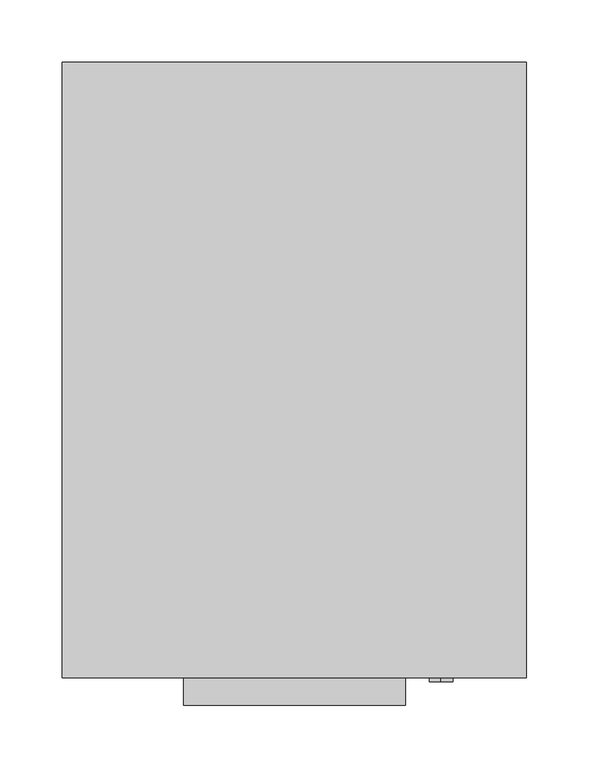
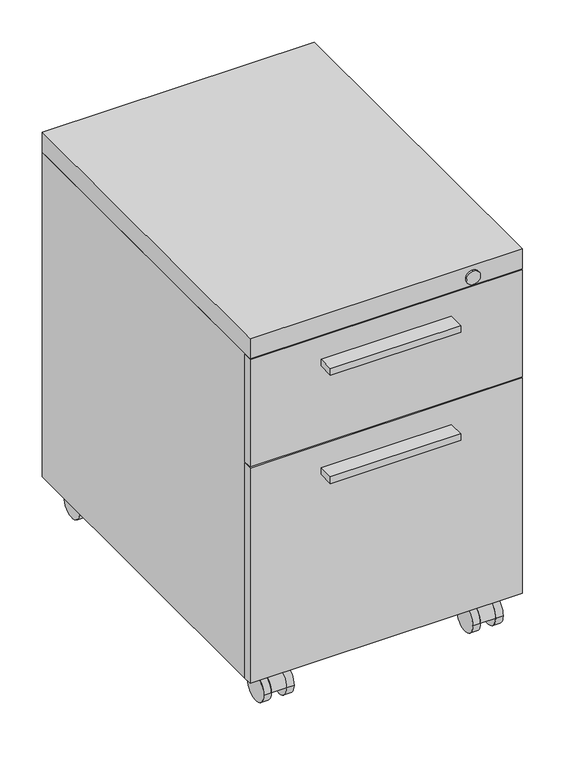
"""IFC4 building model written with IfcOpenShell, lengths in millimetres: furniture geometry."""

from ifc_helpers import new_model, si_unit, point, frame, frame_2d, origin, place, context, project, spatial, polyline, circle_curve, trimmed, segment, composite_curve, outline, extrude, source, transform, mapped, element, save


def furniture_44ce0cff(model_context):
    return source(origin(), model_context, "Body", "SweptSolid", [
        extrude(outline(polyline([(88.9, -268.2875), (-88.9, -268.2875), (-88.9, -246.0625), (88.9, -246.0625), (88.9, -268.2875)])), frame((0.0, 0.0, 315.9125045), z_axis=(0.0, 0.0, 1.0), x_axis=(1.0, 0.0, 0.0)), (0.0, 0.0, 1.0), 9.525),
        extrude(outline(polyline([(88.9, -268.2875), (-88.9, -268.2875), (-88.9, -246.0625), (88.9, -246.0625), (88.9, -268.2875)])), frame((0.0, 0.0, 472.2812379), z_axis=(0.0, 0.0, 1.0), x_axis=(1.0, 0.0, 0.0)), (0.0, 0.0, 1.0), 9.525),
        extrude(outline(composite_curve([segment(trimmed(circle_curve(frame_2d((-220.6625363, 19.05)), 19.05), [point((-239.7125363, 19.05))], [point((-201.6125363, 19.05))], False, "CARTESIAN"), True, "CONTINUOUS"), segment(polyline([(-201.6125363, 19.05), (-239.7125363, 19.05)]), True, "CONTINUOUS")], self_intersect=False)), frame((132.5562508, 0.0, 0.0), z_axis=(1.0, 0.0, 0.0), x_axis=(0.0, 1.0, 0.0)), (0.0, 0.0, 1.0), 20.6375008),
        extrude(outline(composite_curve([segment(trimmed(circle_curve(frame_2d((142.875, -207.9625303)), 10.3187561), [point((132.5562439, -207.9625303))], [point((153.1937561, -207.9625303))], False, "CARTESIAN"), True, "CONTINUOUS"), segment(trimmed(circle_curve(frame_2d((142.875, -207.9625303)), 10.3187561), [point((153.1937561, -207.9625303))], [point((132.5562439, -207.9625303))], False, "CARTESIAN"), True, "CONTINUOUS")], self_intersect=False)), frame((0.0, 0.0, 19.05), z_axis=(0.0, 0.0, 1.0), x_axis=(1.0, 0.0, 0.0)), (0.0, 0.0, 1.0), 28.575),
        extrude(outline(composite_curve([segment(trimmed(circle_curve(frame_2d((-220.6625363, 19.05)), 19.05), [point((-201.6125363, 19.05))], [point((-239.7125363, 19.05))], False, "CARTESIAN"), True, "CONTINUOUS"), segment(trimmed(circle_curve(frame_2d((-220.6625363, 19.05)), 19.05), [point((-239.7125363, 19.05))], [point((-201.6125363, 19.05))], False, "CARTESIAN"), True, "CONTINUOUS")], self_intersect=False)), frame((153.1937515, 0.0, 0.0), z_axis=(1.0, 0.0, 0.0), x_axis=(0.0, 1.0, 0.0)), (0.0, 0.0, 1.0), 10.318747),
        extrude(outline(composite_curve([segment(trimmed(circle_curve(frame_2d((-220.6625363, 19.05)), 19.05), [point((-201.6125363, 19.05))], [point((-239.7125363, 19.05))], False, "CARTESIAN"), True, "CONTINUOUS"), segment(trimmed(circle_curve(frame_2d((-220.6625363, 19.05)), 19.05), [point((-239.7125363, 19.05))], [point((-201.6125363, 19.05))], False, "CARTESIAN"), True, "CONTINUOUS")], self_intersect=False)), frame((122.2375, 0.0, 0.0), z_axis=(1.0, 0.0, 0.0), x_axis=(0.0, 1.0, 0.0)), (0.0, 0.0, 1.0), 10.3187508),
        extrude(outline(composite_curve([segment(trimmed(circle_curve(frame_2d((-220.6625363, 19.05)), 19.05), [point((-239.7125363, 19.05))], [point((-201.6125363, 19.05))], False, "CARTESIAN"), True, "CONTINUOUS"), segment(polyline([(-201.6125363, 19.05), (-239.7125363, 19.05)]), True, "CONTINUOUS")], self_intersect=False)), frame((-153.1937492, 0.0, 0.0), z_axis=(1.0, 0.0, 0.0), x_axis=(0.0, 1.0, 0.0)), (0.0, 0.0, 1.0), 20.6375008),
        extrude(outline(composite_curve([segment(trimmed(circle_curve(frame_2d((-142.875, -207.9625303)), 10.3187561), [point((-153.1937561, -207.9625303))], [point((-132.5562439, -207.9625303))], False, "CARTESIAN"), True, "CONTINUOUS"), segment(trimmed(circle_curve(frame_2d((-142.875, -207.9625303)), 10.3187561), [point((-132.5562439, -207.9625303))], [point((-153.1937561, -207.9625303))], False, "CARTESIAN"), True, "CONTINUOUS")], self_intersect=False)), frame((0.0, 0.0, 19.05), z_axis=(0.0, 0.0, 1.0), x_axis=(1.0, 0.0, 0.0)), (0.0, 0.0, 1.0), 28.575),
        extrude(outline(composite_curve([segment(trimmed(circle_curve(frame_2d((-220.6625363, 19.05)), 19.05), [point((-201.6125363, 19.05))], [point((-239.7125363, 19.05))], False, "CARTESIAN"), True, "CONTINUOUS"), segment(trimmed(circle_curve(frame_2d((-220.6625363, 19.05)), 19.05), [point((-239.7125363, 19.05))], [point((-201.6125363, 19.05))], False, "CARTESIAN"), True, "CONTINUOUS")], self_intersect=False)), frame((-132.5562485, 0.0, 0.0), z_axis=(1.0, 0.0, 0.0), x_axis=(0.0, 1.0, 0.0)), (0.0, 0.0, 1.0), 10.318747),
        extrude(outline(composite_curve([segment(trimmed(circle_curve(frame_2d((-220.6625363, 19.05)), 19.05), [point((-201.6125363, 19.05))], [point((-239.7125363, 19.05))], False, "CARTESIAN"), True, "CONTINUOUS"), segment(trimmed(circle_curve(frame_2d((-220.6625363, 19.05)), 19.05), [point((-239.7125363, 19.05))], [point((-201.6125363, 19.05))], False, "CARTESIAN"), True, "CONTINUOUS")], self_intersect=False)), frame((-163.5125, 0.0, 0.0), z_axis=(1.0, 0.0, 0.0), x_axis=(0.0, 1.0, 0.0)), (0.0, 0.0, 1.0), 10.3187508),
        extrude(outline(composite_curve([segment(trimmed(circle_curve(frame_2d((214.3124758, 19.05)), 19.05), [point((195.2624758, 19.05))], [point((233.3624758, 19.05))], False, "CARTESIAN"), True, "CONTINUOUS"), segment(polyline([(233.3624758, 19.05), (195.2624758, 19.05)]), True, "CONTINUOUS")], self_intersect=False)), frame((132.5562508, 0.0, 0.0), z_axis=(1.0, 0.0, 0.0), x_axis=(0.0, 1.0, 0.0)), (0.0, 0.0, 1.0), 20.6375008),
        extrude(outline(composite_curve([segment(trimmed(circle_curve(frame_2d((142.875, 227.0124818)), 10.3187561), [point((132.5562439, 227.0124818))], [point((153.1937561, 227.0124818))], False, "CARTESIAN"), True, "CONTINUOUS"), segment(trimmed(circle_curve(frame_2d((142.875, 227.0124818)), 10.3187561), [point((153.1937561, 227.0124818))], [point((132.5562439, 227.0124818))], False, "CARTESIAN"), True, "CONTINUOUS")], self_intersect=False)), frame((0.0, 0.0, 19.05), z_axis=(0.0, 0.0, 1.0), x_axis=(1.0, 0.0, 0.0)), (0.0, 0.0, 1.0), 28.575),
        extrude(outline(composite_curve([segment(trimmed(circle_curve(frame_2d((214.3124758, 19.05)), 19.05), [point((233.3624758, 19.05))], [point((195.2624758, 19.05))], False, "CARTESIAN"), True, "CONTINUOUS"), segment(trimmed(circle_curve(frame_2d((214.3124758, 19.05)), 19.05), [point((195.2624758, 19.05))], [point((233.3624758, 19.05))], False, "CARTESIAN"), True, "CONTINUOUS")], self_intersect=False)), frame((153.1937515, 0.0, 0.0), z_axis=(1.0, 0.0, 0.0), x_axis=(0.0, 1.0, 0.0)), (0.0, 0.0, 1.0), 10.318747),
        extrude(outline(composite_curve([segment(trimmed(circle_curve(frame_2d((214.3124758, 19.05)), 19.05), [point((233.3624758, 19.05))], [point((195.2624758, 19.05))], False, "CARTESIAN"), True, "CONTINUOUS"), segment(trimmed(circle_curve(frame_2d((214.3124758, 19.05)), 19.05), [point((195.2624758, 19.05))], [point((233.3624758, 19.05))], False, "CARTESIAN"), True, "CONTINUOUS")], self_intersect=False)), frame((122.2375, 0.0, 0.0), z_axis=(1.0, 0.0, 0.0), x_axis=(0.0, 1.0, 0.0)), (0.0, 0.0, 1.0), 10.3187508),
        extrude(outline(composite_curve([segment(trimmed(circle_curve(frame_2d((214.3124758, 19.05)), 19.05), [point((195.2624758, 19.05))], [point((233.3624758, 19.05))], False, "CARTESIAN"), True, "CONTINUOUS"), segment(polyline([(233.3624758, 19.05), (195.2624758, 19.05)]), True, "CONTINUOUS")], self_intersect=False)), frame((-153.1937492, 0.0, 0.0), z_axis=(1.0, 0.0, 0.0), x_axis=(0.0, 1.0, 0.0)), (0.0, 0.0, 1.0), 20.6375008),
        extrude(outline(composite_curve([segment(trimmed(circle_curve(frame_2d((-142.875, 227.0124818)), 10.3187561), [point((-153.1937561, 227.0124818))], [point((-132.5562439, 227.0124818))], False, "CARTESIAN"), True, "CONTINUOUS"), segment(trimmed(circle_curve(frame_2d((-142.875, 227.0124818)), 10.3187561), [point((-132.5562439, 227.0124818))], [point((-153.1937561, 227.0124818))], False, "CARTESIAN"), True, "CONTINUOUS")], self_intersect=False)), frame((0.0, 0.0, 19.05), z_axis=(0.0, 0.0, 1.0), x_axis=(1.0, 0.0, 0.0)), (0.0, 0.0, 1.0), 28.575),
        extrude(outline(composite_curve([segment(trimmed(circle_curve(frame_2d((214.3124758, 19.05)), 19.05), [point((233.3624758, 19.05))], [point((195.2624758, 19.05))], False, "CARTESIAN"), True, "CONTINUOUS"), segment(trimmed(circle_curve(frame_2d((214.3124758, 19.05)), 19.05), [point((195.2624758, 19.05))], [point((233.3624758, 19.05))], False, "CARTESIAN"), True, "CONTINUOUS")], self_intersect=False)), frame((-132.5562485, 0.0, 0.0), z_axis=(1.0, 0.0, 0.0), x_axis=(0.0, 1.0, 0.0)), (0.0, 0.0, 1.0), 10.318747),
        extrude(outline(composite_curve([segment(trimmed(circle_curve(frame_2d((214.3124758, 19.05)), 19.05), [point((233.3624758, 19.05))], [point((195.2624758, 19.05))], False, "CARTESIAN"), True, "CONTINUOUS"), segment(trimmed(circle_curve(frame_2d((214.3124758, 19.05)), 19.05), [point((195.2624758, 19.05))], [point((233.3624758, 19.05))], False, "CARTESIAN"), True, "CONTINUOUS")], self_intersect=False)), frame((-163.5125, 0.0, 0.0), z_axis=(1.0, 0.0, 0.0), x_axis=(0.0, 1.0, 0.0)), (0.0, 0.0, 1.0), 10.3187508),
        extrude(outline(polyline([(185.7375, -233.3624516), (185.7375, -246.0625), (-185.7375, -246.0625), (-185.7375, -233.3624516), (185.7375, -233.3624516)])), frame((0.0, 0.0, 47.625), z_axis=(0.0, 0.0, 1.0), x_axis=(1.0, 0.0, 0.0)), (0.0, 0.0, 1.0), 311.1500121),
        extrude(outline(polyline([(185.7375, -233.3624516), (185.7375, -246.0625), (-185.7375, -246.0625), (-185.7375, -233.3624516), (185.7375, -233.3624516)])), frame((0.0, 0.0, 360.3624992), z_axis=(0.0, 0.0, 1.0), x_axis=(1.0, 0.0, 0.0)), (0.0, 0.0, 1.0), 154.7812386),
        extrude(outline(polyline([(185.7375, 246.0625), (185.7375, -246.0625), (-185.7375, -246.0625), (-185.7375, 246.0625), (185.7375, 246.0625)])), frame((0.0, 0.0, 516.7376), z_axis=(0.0, 0.0, 1.0), x_axis=(1.0, 0.0, 0.0)), (0.0, 0.0, 1.0), 28.575),
        extrude(outline(polyline([(185.7375, 246.0625), (185.7375, -233.3624516), (-185.7375, -233.3624516), (-185.7375, 246.0625), (185.7375, 246.0625)])), frame((0.0, 0.0, 47.625), z_axis=(0.0, 0.0, 1.0), x_axis=(1.0, 0.0, 0.0)), (0.0, 0.0, 1.0), 469.1126),
        extrude(outline(composite_curve([segment(trimmed(circle_curve(frame_2d((529.4376, 117.4750242)), 9.525), [point((519.9126, 117.4750242))], [point((538.9626, 117.4750242))], False, "CARTESIAN"), True, "CONTINUOUS"), segment(trimmed(circle_curve(frame_2d((529.4376, 117.4750242)), 9.525), [point((538.9626, 117.4750242))], [point((519.9126, 117.4750242))], False, "CARTESIAN"), True, "CONTINUOUS")], self_intersect=False)), frame((0.0, -249.2374879, 0.0), z_axis=(0.0, 1.0, 0.0), x_axis=(0.0, 0.0, 1.0)), (0.0, 0.0, 1.0), 3.1749879),
    ])


if __name__ == "__main__":
    model = new_model("IFC4")
    model_context = context("Model", 3, world=origin())
    ifc_project = project(units=[si_unit("LENGTHUNIT", "METRE", prefix="MILLI")], contexts=[model_context])
    site = spatial("IfcSite", under=ifc_project)
    building = spatial("IfcBuilding", under=site)
    placement = place(None, origin())
    furniture_shape = furniture_44ce0cff(model_context)
    element("IfcFurniture", 1, at=placement, inside=building, context=model_context, shape_type="MappedRepresentation", body=[
        mapped(furniture_shape, transform((0.0, 0.0, 0.0), x_axis=(1.0, 0.0, 0.0), y_axis=(0.0, 1.0, 0.0), z_axis=(0.0, 0.0, 1.0))),
    ])
    save(model, "model.ifc")
